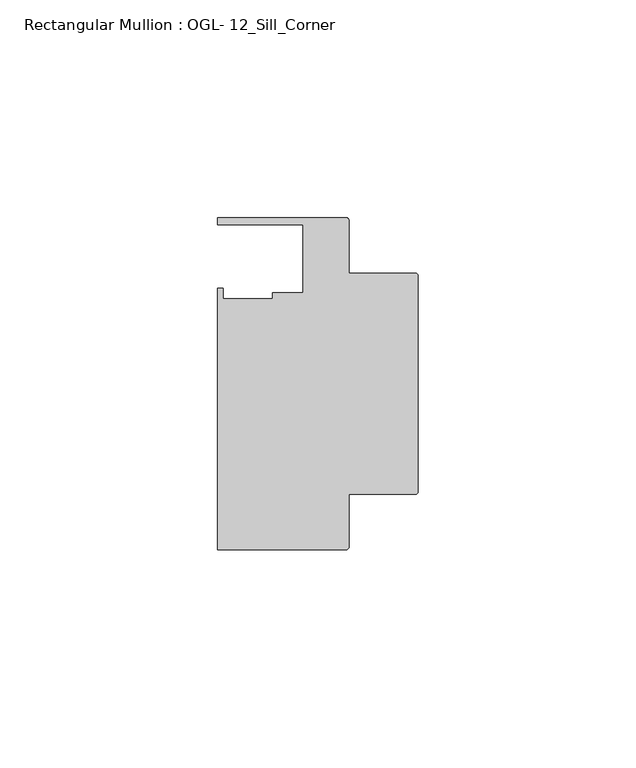
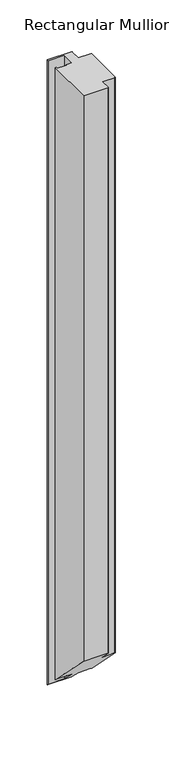
"""IFC4 building model written with IfcOpenShell, lengths in millimetres: member geometry, Rectangular Mullion : OGL- 12_Sill_Corner."""

from ifc_helpers import new_model, si_unit, frame, origin, place, context, project, spatial, circle_curve, ellipse_curve, source, transform, mapped, element, save
from ifc_brep_helpers import plane_surface, cylinder_surface, advanced_brep


def rectangular_mullion_ogl_12_sill_corner_92533c0b(model_context):
    return source(origin(), model_context, "Body", "AdvancedBrep", [
        advanced_brep(
        [(-0.5953125, -55.5625, 0.0), (0.0, -54.9671875, 0.0), (0.0, -5.3578125, 0.0), (-0.5953125, -4.7625, 0.0), (-15.8750672, -4.7625, 0.0), (-15.8750672, 7.3422035, 0.0), (-16.4703797, 7.937516, 0.0), (-46.0248655, 7.937516, 0.0), (-46.0248655, 6.350016, 0.0), (-26.3720794, 6.350016, 0.0), (-26.3720794, -9.3367652, 0.0), (-33.3985545, -9.3367652, 0.0), (-33.3985545, -10.6800725, 0.0), (-44.7780305, -10.6800725, 0.0), (-44.7780305, -8.1914024, 0.0), (-46.0339598, -8.1914024, 0.0), (-46.0339598, -68.2621792, 0.0), (-16.4703797, -68.2621792, 0.0), (-15.8750672, -67.6668667, 0.0), (-15.8750672, -55.5625, 0.0), (-0.5953125, -55.5625, -740.3041667), (0.0, -54.9671875, -740.8994792), (0.0, -5.3578125, -790.5088541), (-0.5953125, -4.7625, -791.1041666), (-15.8750672, -4.7625, -791.1041666), (-15.8750672, 7.3422035, -803.2088702), (-16.4703797, 7.937516, -803.8041827), (-46.0248655, 7.937516, -803.8041827), (-46.0248655, 6.350016, -802.2166827), (-26.3720794, 6.350016, -802.2166827), (-26.3720794, -9.3367652, -786.5299015), (-33.3985545, -9.3367652, -786.5299015), (-33.3985545, -10.6800725, -785.1865941), (-44.7780305, -10.6800725, -785.1865941), (-44.7780305, -8.1914024, -787.6752643), (-46.0339598, -8.1914024, -787.6752643), (-46.0339598, -68.2621792, -727.6044875), (-16.4703797, -68.2621792, -727.6044875), (-15.8750672, -67.6668667, -728.1998), (-15.8750672, -55.5625, -740.3041667)],
        [
            (0, 1, circle_curve(frame((-0.5953125, -54.9671875, 0.0), z_axis=(0.0, 0.0, 1.0), x_axis=(0.0, -1.0, 0.0)), 0.5953125)),
            (1, 2),
            (2, 3, circle_curve(frame((-0.5953125, -5.3578125, 0.0), z_axis=(0.0, 0.0, 1.0), x_axis=(-1.0, 0.0, 0.0)), 0.5953125)),
            (3, 4),
            (4, 5),
            (5, 6, circle_curve(frame((-16.4703797, 7.3422035, 0.0), z_axis=(0.0, 0.0, 1.0), x_axis=(-1.0, 0.0, 0.0)), 0.5953125)),
            (6, 7),
            (7, 8),
            (8, 9),
            (9, 10),
            (10, 11),
            (11, 12),
            (12, 13),
            (13, 14),
            (14, 15),
            (15, 16),
            (16, 17),
            (17, 18, circle_curve(frame((-16.4703797, -67.6668667, 0.0), z_axis=(0.0, 0.0, 1.0), x_axis=(-1.0, 0.0, 0.0)), 0.5953125)),
            (18, 19),
            (19, 0),
            (0, 20),
            (20, 21, ellipse_curve(frame((-0.5953125, -54.9671875, -740.8994792), z_axis=(0.0, 0.7071067811865466, 0.7071067811865486), x_axis=(0.0, -0.7071067811865486, 0.7071067811865464)), 0.841899, 0.5953125)),
            (21, 1),
            (21, 22),
            (22, 2),
            (22, 23, ellipse_curve(frame((-0.5953125, -5.3578125, -790.5088541), z_axis=(0.0, 0.7071067811865466, 0.7071067811865486), x_axis=(0.0, -0.7071067811865486, 0.7071067811865464)), 0.841899, 0.5953125)),
            (23, 3),
            (23, 24),
            (24, 4),
            (24, 25),
            (25, 5),
            (25, 26, ellipse_curve(frame((-16.4703797, 7.3422035, -803.2088702), z_axis=(0.0, 0.7071067811865466, 0.7071067811865486), x_axis=(0.0, -0.7071067811865486, 0.7071067811865464)), 0.841899, 0.5953125)),
            (26, 6),
            (26, 27),
            (27, 7),
            (27, 28),
            (28, 8),
            (28, 29),
            (29, 9),
            (29, 30),
            (30, 10),
            (30, 31),
            (31, 11),
            (31, 32),
            (32, 12),
            (32, 33),
            (33, 13),
            (33, 34),
            (34, 14),
            (34, 35),
            (35, 15),
            (35, 36),
            (36, 16),
            (36, 37),
            (37, 17),
            (37, 38, ellipse_curve(frame((-16.4703797, -67.6668667, -728.1998), z_axis=(0.0, 0.7071067811865466, 0.7071067811865486), x_axis=(0.0, -0.7071067811865486, 0.7071067811865464)), 0.841899, 0.5953125)),
            (38, 18),
            (38, 39),
            (39, 19),
            (39, 20),
        ],
        [
            plane_surface(frame((0.0, -82.3337754, 0.0), z_axis=(0.0, 0.0, 1.0), x_axis=(-1.0, 0.0, 0.0))),
            cylinder_surface(frame((-0.5953125, -54.9671875, 0.0), z_axis=(0.0, 0.0, 1.0), x_axis=(0.0, -1.0, 0.0)), 0.5953125),
            plane_surface(frame((0.0, -54.9671875, 0.0), z_axis=(1.0, 0.0, 0.0), x_axis=(0.0, 0.0, -1.0))),
            cylinder_surface(frame((-0.5953125, -5.3578125, 0.0), z_axis=(0.0, 0.0, 1.0), x_axis=(-1.0, 0.0, 0.0)), 0.5953125),
            plane_surface(frame((-0.5953125, -4.7625, 0.0), z_axis=(0.0, 1.0, 0.0), x_axis=(0.0, 0.0, -1.0))),
            plane_surface(frame((-15.8750672, -4.7625, 0.0), z_axis=(1.0, 0.0, 0.0), x_axis=(0.0, 0.0, -1.0))),
            cylinder_surface(frame((-16.4703797, 7.3422035, 0.0), z_axis=(0.0, 0.0, 1.0), x_axis=(-1.0, 0.0, 0.0)), 0.5953125),
            plane_surface(frame((-16.4703797, 7.937516, 0.0), z_axis=(0.0, 1.0, 0.0), x_axis=(0.0, 0.0, -1.0))),
            plane_surface(frame((-46.0248655, 7.937516, 0.0), z_axis=(-1.0, 0.0, 0.0), x_axis=(0.0, 0.0, -1.0))),
            plane_surface(frame((-46.0248655, 6.350016, 0.0), z_axis=(0.0, -1.0, 0.0), x_axis=(0.0, 0.0, -1.0))),
            plane_surface(frame((-26.3720794, 6.350016, 0.0), z_axis=(-1.0, 0.0, 0.0), x_axis=(0.0, 0.0, -1.0))),
            plane_surface(frame((-26.3720794, -9.3367652, 0.0), z_axis=(0.0, 1.0, 0.0), x_axis=(0.0, 0.0, -1.0))),
            plane_surface(frame((-33.3985545, -9.3367652, 0.0), z_axis=(-1.0, 0.0, 0.0), x_axis=(0.0, 0.0, -1.0))),
            plane_surface(frame((-33.3985545, -10.6800725, 0.0), z_axis=(0.0, 1.0, 0.0), x_axis=(0.0, 0.0, -1.0))),
            plane_surface(frame((-44.7780305, -10.6800725, 0.0), z_axis=(1.0, 0.0, 0.0), x_axis=(0.0, 0.0, -1.0))),
            plane_surface(frame((-44.7780305, -8.1914024, 0.0), z_axis=(0.0, 1.0, 0.0), x_axis=(0.0, 0.0, -1.0))),
            plane_surface(frame((-46.0339598, -8.1914024, 0.0), z_axis=(-1.0, 0.0, 0.0), x_axis=(0.0, 0.0, -1.0))),
            plane_surface(frame((-46.0339598, -68.2621792, 0.0), z_axis=(0.0, -1.0, 0.0), x_axis=(0.0, 0.0, -1.0))),
            cylinder_surface(frame((-16.4703797, -67.6668667, 0.0), z_axis=(0.0, 0.0, 1.0), x_axis=(-1.0, 0.0, 0.0)), 0.5953125),
            plane_surface(frame((-15.8750672, -67.6668667, 0.0), z_axis=(1.0, 0.0, 0.0), x_axis=(0.0, 0.0, -1.0))),
            plane_surface(frame((-15.8750672, -55.5625, 0.0), z_axis=(0.0, -1.0, 0.0), x_axis=(0.0, 0.0, -1.0))),
            plane_surface(frame((304.8, 0.0, -795.8666667), z_axis=(0.0, -0.7071067811865466, -0.7071067811865486), x_axis=(0.0, -0.7071067811865486, 0.7071067811865466))),
        ],
        [
            (0, [[1, 2, 3, 4, 5, 6, 7, 8, 9, 10, 11, 12, 13, 14, 15, 16, 17, 18, 19, 20]]),
            (1, [[-1, 21, 22, 23]]),
            (2, [[-2, -23, 24, 25]]),
            (3, [[-3, -25, 26, 27]]),
            (4, [[-4, -27, 28, 29]]),
            (5, [[-5, -29, 30, 31]]),
            (6, [[-6, -31, 32, 33]]),
            (7, [[-7, -33, 34, 35]]),
            (8, [[-8, -35, 36, 37]]),
            (9, [[-9, -37, 38, 39]]),
            (10, [[-10, -39, 40, 41]]),
            (11, [[-11, -41, 42, 43]]),
            (12, [[-12, -43, 44, 45]]),
            (13, [[-13, -45, 46, 47]]),
            (14, [[-14, -47, 48, 49]]),
            (15, [[-15, -49, 50, 51]]),
            (16, [[-16, -51, 52, 53]]),
            (17, [[-17, -53, 54, 55]]),
            (18, [[-18, -55, 56, 57]]),
            (19, [[-19, -57, 58, 59]]),
            (20, [[-20, -59, 60, -21]]),
            (21, [[-60, -58, -56, -54, -52, -50, -48, -46, -44, -42, -40, -38, -36, -34, -32, -30, -28, -26, -24, -22]]),
        ],
    ),
    ])


if __name__ == "__main__":
    model = new_model("IFC4")
    model_context = context("Model", 3, world=origin())
    ifc_project = project(units=[si_unit("LENGTHUNIT", "METRE", prefix="MILLI")], contexts=[model_context])
    site = spatial("IfcSite", under=ifc_project)
    building = spatial("IfcBuilding", under=site)
    placement = place(None, origin())
    rectangular_mullion_ogl_12_sill_corner_shape = rectangular_mullion_ogl_12_sill_corner_92533c0b(model_context)
    element("IfcMember", 1, ObjectType="Rectangular Mullion : OGL- 12_Sill_Corner", at=placement, inside=building, context=model_context, shape_type="MappedRepresentation", body=[
        mapped(rectangular_mullion_ogl_12_sill_corner_shape, transform((0.0, 0.0, 0.0), x_axis=(1.0, 0.0, 0.0), y_axis=(0.0, 1.0, 0.0), z_axis=(0.0, 0.0, 1.0))),
    ])
    save(model, "model.ifc")
